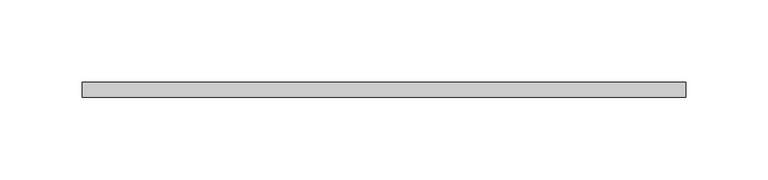
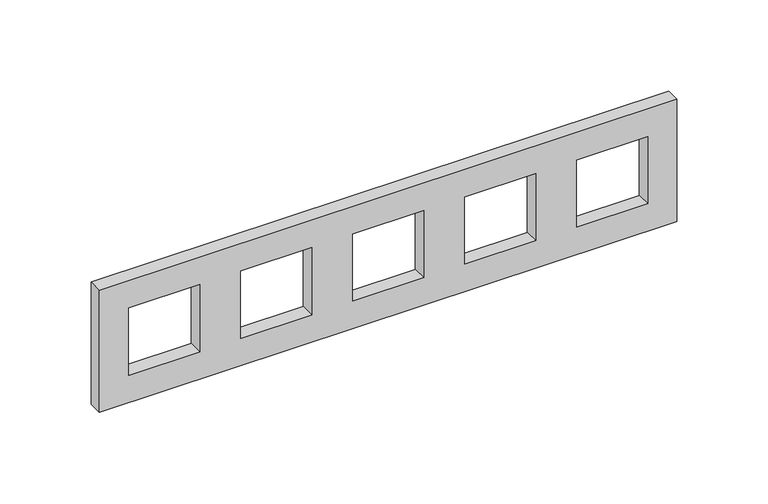
"""IFC4 building model written with IfcOpenShell, lengths in millimetres: proxy geometry."""

from ifc_helpers import new_model, si_unit, frame, origin, place, context, project, spatial, polyline, outline, extrude, source, transform, mapped, element, save


def electrical_fixtures_867d44e8(model_context):
    return source(origin(), model_context, "Body", "SweptSolid", [
        extrude(outline(polyline([(41.0, 183.0), (41.0, -183.0), (-41.0, -183.0), (-41.0, 183.0), (41.0, 183.0)]), holes=[polyline([(22.5, -119.5), (-22.5, -119.5), (-22.5, -164.5), (22.5, -164.5), (22.5, -119.5)]), polyline([(22.5, -48.5), (-22.5, -48.5), (-22.5, -93.5), (22.5, -93.5), (22.5, -48.5)]), polyline([(22.5, 22.5), (-22.5, 22.5), (-22.5, -22.5), (22.5, -22.5), (22.5, 22.5)]), polyline([(22.5, 93.5), (-22.5, 93.5), (-22.5, 48.5), (22.5, 48.5), (22.5, 93.5)]), polyline([(22.5, 164.5), (-22.5, 164.5), (-22.5, 119.5), (22.5, 119.5), (22.5, 164.5)])]), frame((0.0, 0.0, 0.0), z_axis=(0.0, 1.0, 0.0), x_axis=(0.0, 0.0, 1.0)), (0.0, 0.0, 1.0), 9.0),
    ])


if __name__ == "__main__":
    model = new_model("IFC4")
    model_context = context("Model", 3, world=origin())
    ifc_project = project(units=[si_unit("LENGTHUNIT", "METRE", prefix="MILLI")], contexts=[model_context])
    site = spatial("IfcSite", under=ifc_project)
    building = spatial("IfcBuilding", under=site)
    placement = place(None, origin())
    electrical_fixtures_shape = electrical_fixtures_867d44e8(model_context)
    element("IfcBuildingElementProxy", 1, Name="Electrical Fixtures", at=placement, inside=building, context=model_context, shape_type="MappedRepresentation", body=[
        mapped(electrical_fixtures_shape, transform((0.0, 0.0, 0.0), x_axis=(1.0, 0.0, 0.0), y_axis=(0.0, 1.0, 0.0), z_axis=(0.0, 0.0, 1.0))),
    ])
    save(model, "model.ifc")
